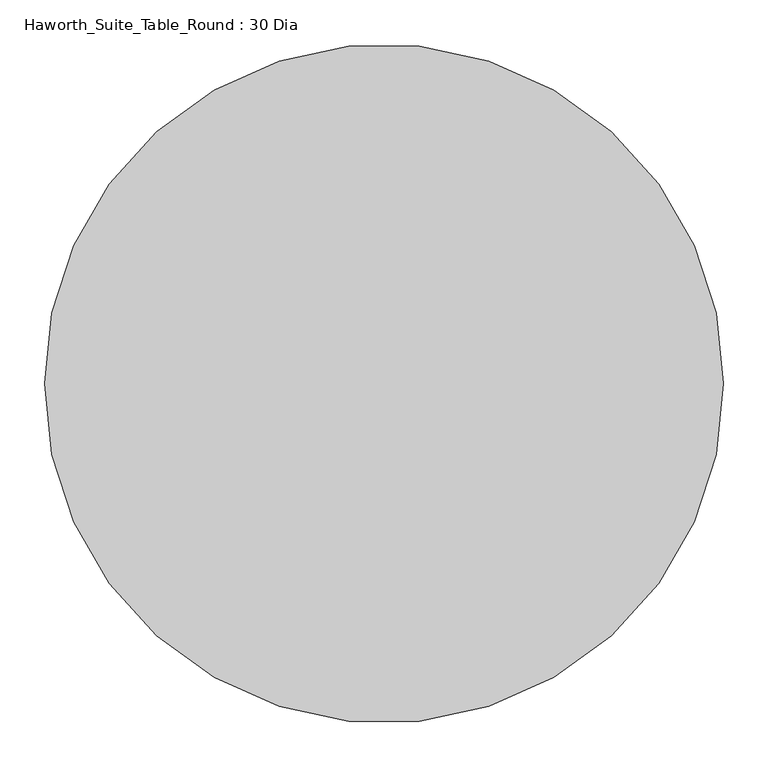
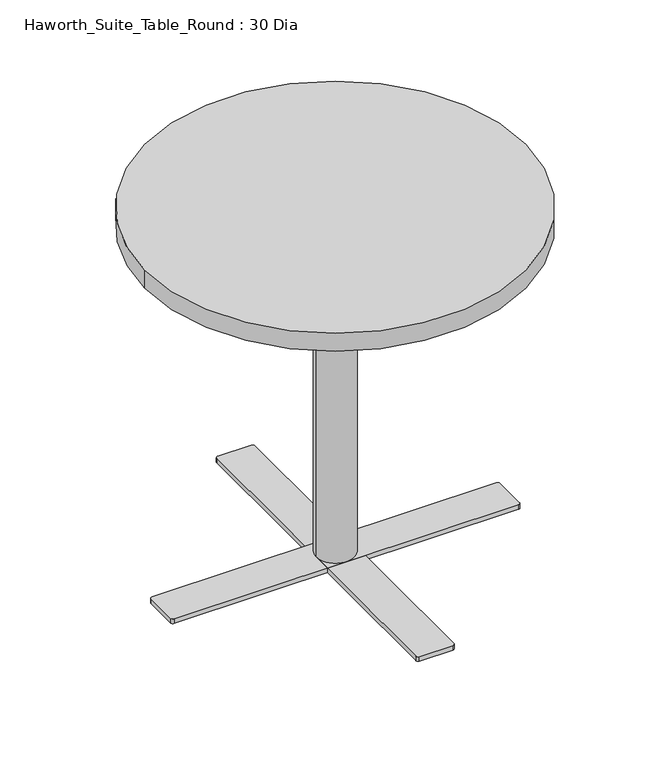
"""IFC4 building model written with IfcOpenShell, lengths in millimetres: furniture geometry, Haworth_Suite_Table_Round : 30 Dia."""

import ifcopenshell
import ifcopenshell.guid

model = None  # the IFC model being written
_history = None  # IfcOwnerHistory: only IFC2X3 demands one
_inside = {}  # id of a spatial element -> (the spatial element, [elements in it])
_under = {}  # id of a project, library or spatial element -> (it, [spatial elements below it])
_declared = {}  # id of a project -> (the project, [libraries it declares])
_typed = {}  # id of a type object -> (the type object, [elements of that type])
_made_of = {}  # id of a material, layer set ... -> (it, [elements and type objects made of it])


def new_model(schema):
    """Start an empty IFC model of exactly this schema.

    Asked for "IFC4X3", IfcOpenShell would pick the latest addendum, in which some entities
    have other attributes; the version numbers below select the first issue.
    IFC2X3 requires an IfcOwnerHistory on every rooted entity: one is made here for all.
    """
    global model, _history
    if schema == "IFC4X3":
        model = ifcopenshell.file(schema_version=(4, 3, 0, 0))
    else:
        model = ifcopenshell.file(schema=schema)
    _inside.clear()
    _under.clear()
    _declared.clear()
    _typed.clear()
    _made_of.clear()
    _history = None
    if model.schema == "IFC2X3":
        org = make("IfcOrganization", Name="unknown")
        user = make(
            "IfcPersonAndOrganization",
            ThePerson=make("IfcPerson", FamilyName="unknown"),
            TheOrganization=org,
        )
        app = make(
            "IfcApplication",
            ApplicationDeveloper=org,
            Version="unknown",
            ApplicationFullName="unknown",
            ApplicationIdentifier="unknown",
        )
        _history = make(
            "IfcOwnerHistory",
            OwningUser=user,
            OwningApplication=app,
            ChangeAction="ADDED",
            CreationDate=0,
        )
    return model


def make(cls, **values):
    """One entity of the class cls with the attributes given. An attribute that is None is left unset."""
    return model.create_entity(
        cls, **{name: value for name, value in values.items() if value is not None}
    )


def rooted(cls, **values):
    """An entity with a GlobalId (a new one), such as an element, a storey or a relation."""
    return make(cls, GlobalId=ifcopenshell.guid.new(), OwnerHistory=_history, **values)


def si_unit(unit_type, name, prefix=None):
    """IfcSIUnit, for example si_unit("LENGTHUNIT", "METRE", prefix="MILLI")."""
    return make("IfcSIUnit", UnitType=unit_type, Prefix=prefix, Name=name)


def assignment(units):
    """IfcUnitAssignment: the units of a project."""
    return None if units is None else make("IfcUnitAssignment", Units=units)


def point(xyz):
    """IfcCartesianPoint."""
    return None if xyz is None else make("IfcCartesianPoint", Coordinates=xyz)


def direction(xyz):
    """IfcDirection."""
    return None if xyz is None else make("IfcDirection", DirectionRatios=xyz)


def frame(location, z_axis=None, x_axis=None):
    """IfcAxis2Placement3D, a coordinate frame: its origin and axes. An axis left out is left unset."""
    return make(
        "IfcAxis2Placement3D",
        Location=point(location),
        Axis=direction(z_axis),
        RefDirection=direction(x_axis),
    )


def frame_2d(location, x_axis=None):
    """IfcAxis2Placement2D, a coordinate frame in the plane: its origin and x axis."""
    return make(
        "IfcAxis2Placement2D", Location=point(location), RefDirection=direction(x_axis)
    )


def origin():
    """The frame at (0, 0, 0) with its axes left unset."""
    return frame((0.0, 0.0, 0.0))


def origin_with_axes():
    """The frame at (0, 0, 0) with the z axis (0, 0, 1) and the x axis (1, 0, 0) written out."""
    return frame((0.0, 0.0, 0.0), z_axis=(0.0, 0.0, 1.0), x_axis=(1.0, 0.0, 0.0))


def place(relative_to, where):
    """IfcLocalPlacement: puts the frame where relative to a parent placement (None: the world)."""
    return make(
        "IfcLocalPlacement", PlacementRelTo=relative_to, RelativePlacement=where
    )


def context(
    kind, dimensions, precision=None, world=None, true_north=None, identifier=None
):
    """IfcGeometricRepresentationContext, for example the 3D "Model" context."""
    return make(
        "IfcGeometricRepresentationContext",
        ContextIdentifier=identifier,
        ContextType=kind,
        CoordinateSpaceDimension=dimensions,
        Precision=precision,
        WorldCoordinateSystem=world,
        TrueNorth=true_north,
    )


def project(units=None, contexts=None):
    """IfcProject with its units and contexts."""
    return rooted(
        "IfcProject",
        Name="project",
        RepresentationContexts=contexts,
        UnitsInContext=assignment(units),
    )


def spatial(cls, under=None, at=None, **own):
    """A site, building, storey or space (cls), placed at a placement, below another one or the project."""
    s = rooted(cls, ObjectPlacement=at, **own)
    if under is not None:
        _under.setdefault(under.id(), (under, []))[1].append(s)
    return s


def polyline(points):
    """IfcPolyline through the points."""
    return make("IfcPolyline", Points=[point(p) for p in points])


def circle_curve(where, radius):
    """IfcCircle in the frame where."""
    return make("IfcCircle", Position=where, Radius=radius)


def trimmed(basis, trim1, trim2, sense, master):
    """IfcTrimmedCurve: the piece of a basis curve between two trims."""
    return make(
        "IfcTrimmedCurve",
        BasisCurve=basis,
        Trim1=trim1,
        Trim2=trim2,
        SenseAgreement=sense,
        MasterRepresentation=master,
    )


def segment(curve, same_sense, transition):
    """IfcCompositeCurveSegment."""
    return make(
        "IfcCompositeCurveSegment",
        Transition=transition,
        SameSense=same_sense,
        ParentCurve=curve,
    )


def composite_curve(segments, self_intersect=None):
    """IfcCompositeCurve: segments joined end to end."""
    return make("IfcCompositeCurve", Segments=segments, SelfIntersect=self_intersect)


def outline(outer, holes=None, kind="AREA"):
    """IfcArbitraryClosedProfileDef: a profile drawn as a closed curve; with holes, ...WithVoids."""
    if holes is None:
        return make("IfcArbitraryClosedProfileDef", ProfileType=kind, OuterCurve=outer)
    return make(
        "IfcArbitraryProfileDefWithVoids",
        ProfileType=kind,
        OuterCurve=outer,
        InnerCurves=holes,
    )


def extrude(swept, where, along, depth):
    """IfcExtrudedAreaSolid: the profile swept, set in the frame where, extruded along a direction by depth."""
    return make(
        "IfcExtrudedAreaSolid",
        SweptArea=swept,
        Position=where,
        ExtrudedDirection=direction(along),
        Depth=depth,
    )


def shape(context_of_items, identifier, shape_type, items):
    """IfcShapeRepresentation: the items that make up one representation, for example the "Body"."""
    return make(
        "IfcShapeRepresentation",
        ContextOfItems=context_of_items,
        RepresentationIdentifier=identifier,
        RepresentationType=shape_type,
        Items=items,
    )


def source(mapping_origin, context_of_items, identifier, shape_type, items):
    """IfcRepresentationMap: a shape defined once, which mapped items show again and again."""
    return make(
        "IfcRepresentationMap",
        MappingOrigin=mapping_origin,
        MappedRepresentation=shape(context_of_items, identifier, shape_type, items),
    )


def transform(
    local_origin,
    x_axis=None,
    y_axis=None,
    z_axis=None,
    scale=None,
    scale2=None,
    scale3=None,
    uniform=True,
):
    """IfcCartesianTransformationOperator3D, or its non-uniform kind. x_axis, y_axis, z_axis: its Axis1, 2, 3."""
    if uniform:
        return make(
            "IfcCartesianTransformationOperator3D",
            Axis1=direction(x_axis),
            Axis2=direction(y_axis),
            LocalOrigin=point(local_origin),
            Scale=scale,
            Axis3=direction(z_axis),
        )
    return make(
        "IfcCartesianTransformationOperator3DnonUniform",
        Axis1=direction(x_axis),
        Axis2=direction(y_axis),
        LocalOrigin=point(local_origin),
        Scale=scale,
        Axis3=direction(z_axis),
        Scale2=scale2,
        Scale3=scale3,
    )


def mapped(mapping_source, mapping_target):
    """IfcMappedItem: shows the shape of a source again, moved by a transform."""
    return make(
        "IfcMappedItem", MappingSource=mapping_source, MappingTarget=mapping_target
    )


def made_of(thing, what):
    """Note that an element or type object is made of a material, layer set ...; save() writes the relation."""
    if what is not None:
        _made_of.setdefault(what.id(), (what, []))[1].append(thing)
    return thing


def element(
    cls,
    number,
    at=None,
    inside=None,
    cuts=None,
    type_object=None,
    material=None,
    context=None,
    identifier="Body",
    shape_type=None,
    held_by="IfcProductDefinitionShape",
    body=None,
    shapes=None,
    **own,
):
    """One element of the class cls, such as IfcWall. Its Tag is "e" and its number.

    at: its placement. inside: the storey or other place that contains it. cuts: it is an
    opening in that element (IfcRelVoidsElement). A single representation is given by context,
    identifier, shape_type and body (its items); several are given by shapes. held_by: the class
    of the entity that holds the representations. save() writes the other relations.
    """
    e = rooted(cls, Tag="e%d" % number, ObjectPlacement=at, **own)
    if body is not None:
        shapes = [shape(context, identifier, shape_type, body)]
    if shapes is not None:
        e.Representation = make(held_by, Representations=shapes)
    if inside is not None:
        _inside.setdefault(inside.id(), (inside, []))[1].append(e)
    if cuts is not None:
        rooted(
            "IfcRelVoidsElement", RelatingBuildingElement=cuts, RelatedOpeningElement=e
        )
    if type_object is not None:
        _typed.setdefault(type_object.id(), (type_object, []))[1].append(e)
    return made_of(e, material)


def aggregate(whole, parts):
    """IfcRelAggregates: a whole, such as a stair, and the parts it consists of."""
    return rooted("IfcRelAggregates", RelatingObject=whole, RelatedObjects=parts)


def save(model, path):
    """Write the relations noted so far, then the file.

    IfcRelAggregates (storeys below a building ...), IfcRelContainedInSpatialStructure (elements
    in a storey), IfcRelDefinesByType, IfcRelAssociatesMaterial and IfcRelDeclares: one each for
    every whole, place, type object, material and project.
    """
    for whole, parts in _under.values():
        aggregate(whole, parts)
    for where, things in _inside.values():
        rooted(
            "IfcRelContainedInSpatialStructure",
            RelatedElements=things,
            RelatingStructure=where,
        )
    for kind, things in _typed.values():
        rooted("IfcRelDefinesByType", RelatedObjects=things, RelatingType=kind)
    for what, things in _made_of.values():
        rooted("IfcRelAssociatesMaterial", RelatedObjects=things, RelatingMaterial=what)
    for by, libraries in _declared.values():
        rooted("IfcRelDeclares", RelatingContext=by, RelatedDefinitions=libraries)
    model.write(path)


def haworth_suite_table_round_30_dia_0c44e5ee(model_context):
    return source(origin(), model_context, "Body", "SweptSolid", [
        extrude(outline(composite_curve([segment(trimmed(circle_curve(frame_2d((-311.15, -622.3)), 12.7), [point((-311.15, -609.6))], [point((-311.15, -635.0))], False, "CARTESIAN"), True, "CONTINUOUS"), segment(trimmed(circle_curve(frame_2d((-311.15, -622.3)), 12.7), [point((-311.15, -635.0))], [point((-311.15, -609.6))], False, "CARTESIAN"), True, "CONTINUOUS")], self_intersect=False)), origin_with_axes(), (0.0, 0.0, 1.0), 3.175),
        extrude(outline(composite_curve([segment(trimmed(circle_curve(frame_2d((285.75, -622.3)), 12.7), [point((285.75, -609.6))], [point((285.75, -635.0))], False, "CARTESIAN"), True, "CONTINUOUS"), segment(trimmed(circle_curve(frame_2d((285.75, -622.3)), 12.7), [point((285.75, -635.0))], [point((285.75, -609.6))], False, "CARTESIAN"), True, "CONTINUOUS")], self_intersect=False)), origin_with_axes(), (0.0, 0.0, 1.0), 3.175),
        extrude(outline(polyline([(-342.9, -647.7), (-342.9, -596.9), (317.5, -596.9), (317.5, -647.7), (-342.9, -647.7)])), frame((0.0, 0.0, 3.175), z_axis=(0.0, 0.0, 1.0), x_axis=(1.0, 0.0, 0.0)), (0.0, 0.0, 1.0), 9.525),
        extrude(outline(composite_curve([segment(trimmed(circle_curve(frame_2d((331.7875, -655.6375)), 4.7625), [point((336.55, -655.6375))], [point((331.7875, -660.4))], False, "CARTESIAN"), True, "CONTINUOUS"), segment(polyline([(331.7875, -660.4), (-357.1875, -660.4)]), True, "CONTINUOUS"), segment(trimmed(circle_curve(frame_2d((-357.1875, -655.6375)), 4.7625), [point((-357.1875, -660.4))], [point((-361.95, -655.6375))], False, "CARTESIAN"), True, "CONTINUOUS"), segment(polyline([(-361.95, -655.6375), (-361.95, -588.9625)]), True, "CONTINUOUS"), segment(trimmed(circle_curve(frame_2d((-357.1875, -588.9625)), 4.7625), [point((-361.95, -588.9625))], [point((-357.1875, -584.2))], False, "CARTESIAN"), True, "CONTINUOUS"), segment(polyline([(-357.1875, -584.2), (331.7875, -584.2)]), True, "CONTINUOUS"), segment(trimmed(circle_curve(frame_2d((331.7875, -588.9625)), 4.7625), [point((331.7875, -584.2))], [point((336.55, -588.9625))], False, "CARTESIAN"), True, "CONTINUOUS"), segment(polyline([(336.55, -588.9625), (336.55, -655.6375)]), True, "CONTINUOUS")], self_intersect=False)), frame((0.0, 0.0, 12.7), z_axis=(0.0, 0.0, 1.0), x_axis=(1.0, 0.0, 0.0)), (0.0, 0.0, 1.0), 9.525),
        extrude(outline(composite_curve([segment(trimmed(circle_curve(frame_2d((-12.7, -622.3)), 38.1), [point((-50.8, -622.3))], [point((25.4, -622.3))], False, "CARTESIAN"), True, "CONTINUOUS"), segment(trimmed(circle_curve(frame_2d((-12.7, -622.3)), 38.1), [point((25.4, -622.3))], [point((-50.8, -622.3))], False, "CARTESIAN"), True, "CONTINUOUS")], self_intersect=False)), frame((0.0, 0.0, 22.225), z_axis=(0.0, 0.0, 1.0), x_axis=(1.0, 0.0, 0.0)), (0.0, 0.0, 1.0), 688.975),
        extrude(outline(composite_curve([segment(trimmed(circle_curve(frame_2d((-12.7, -920.75)), 12.7), [point((-25.4, -920.75))], [point((0.0, -920.75))], False, "CARTESIAN"), True, "CONTINUOUS"), segment(trimmed(circle_curve(frame_2d((-12.7, -920.75)), 12.7), [point((0.0, -920.75))], [point((-25.4, -920.75))], False, "CARTESIAN"), True, "CONTINUOUS")], self_intersect=False)), origin_with_axes(), (0.0, 0.0, 1.0), 3.175),
        extrude(outline(composite_curve([segment(trimmed(circle_curve(frame_2d((-12.7, -323.85)), 12.7), [point((-25.4, -323.85))], [point((0.0, -323.85))], False, "CARTESIAN"), True, "CONTINUOUS"), segment(trimmed(circle_curve(frame_2d((-12.7, -323.85)), 12.7), [point((0.0, -323.85))], [point((-25.4, -323.85))], False, "CARTESIAN"), True, "CONTINUOUS")], self_intersect=False)), origin_with_axes(), (0.0, 0.0, 1.0), 3.175),
        extrude(outline(polyline([(12.7, -952.5), (-38.1, -952.5), (-38.1, -292.1), (12.7, -292.1), (12.7, -952.5)])), frame((0.0, 0.0, 3.175), z_axis=(0.0, 0.0, 1.0), x_axis=(1.0, 0.0, 0.0)), (0.0, 0.0, 1.0), 9.525),
        extrude(outline(composite_curve([segment(trimmed(circle_curve(frame_2d((20.6375, -277.8125)), 4.7625), [point((20.6375, -273.05))], [point((25.4, -277.8125))], False, "CARTESIAN"), True, "CONTINUOUS"), segment(polyline([(25.4, -277.8125), (25.4, -966.7875)]), True, "CONTINUOUS"), segment(trimmed(circle_curve(frame_2d((20.6375, -966.7875)), 4.7625), [point((25.4, -966.7875))], [point((20.6375, -971.55))], False, "CARTESIAN"), True, "CONTINUOUS"), segment(polyline([(20.6375, -971.55), (-46.0375, -971.55)]), True, "CONTINUOUS"), segment(trimmed(circle_curve(frame_2d((-46.0375, -966.7875)), 4.7625), [point((-46.0375, -971.55))], [point((-50.8, -966.7875))], False, "CARTESIAN"), True, "CONTINUOUS"), segment(polyline([(-50.8, -966.7875), (-50.8, -277.8125)]), True, "CONTINUOUS"), segment(trimmed(circle_curve(frame_2d((-46.0375, -277.8125)), 4.7625), [point((-50.8, -277.8125))], [point((-46.0375, -273.05))], False, "CARTESIAN"), True, "CONTINUOUS"), segment(polyline([(-46.0375, -273.05), (20.6375, -273.05)]), True, "CONTINUOUS")], self_intersect=False)), frame((0.0, 0.0, 12.7), z_axis=(0.0, 0.0, 1.0), x_axis=(1.0, 0.0, 0.0)), (0.0, 0.0, 1.0), 9.525),
        extrude(outline(composite_curve([segment(trimmed(circle_curve(frame_2d((-12.7, -622.3)), 381.0), [point((-393.7, -622.3))], [point((368.3, -622.3))], False, "CARTESIAN"), True, "CONTINUOUS"), segment(trimmed(circle_curve(frame_2d((-12.7, -622.3)), 381.0), [point((368.3, -622.3))], [point((-393.7, -622.3))], False, "CARTESIAN"), True, "CONTINUOUS")], self_intersect=False)), frame((0.0, 0.0, 711.2), z_axis=(0.0, 0.0, 1.0), x_axis=(1.0, 0.0, 0.0)), (0.0, 0.0, 1.0), 38.1),
    ])


if __name__ == "__main__":
    model = new_model("IFC4")
    model_context = context("Model", 3, world=origin())
    ifc_project = project(units=[si_unit("LENGTHUNIT", "METRE", prefix="MILLI")], contexts=[model_context])
    site = spatial("IfcSite", under=ifc_project)
    building = spatial("IfcBuilding", under=site)
    placement = place(None, origin())
    haworth_suite_table_round_30_dia_shape = haworth_suite_table_round_30_dia_0c44e5ee(model_context)
    element("IfcFurniture", 1, ObjectType="Haworth_Suite_Table_Round : 30 Dia", at=placement, inside=building, context=model_context, shape_type="MappedRepresentation", body=[
        mapped(haworth_suite_table_round_30_dia_shape, transform((0.0, 0.0, 0.0), x_axis=(1.0, 0.0, 0.0), y_axis=(0.0, 1.0, 0.0), z_axis=(0.0, 0.0, 1.0))),
    ])
    save(model, "model.ifc")
